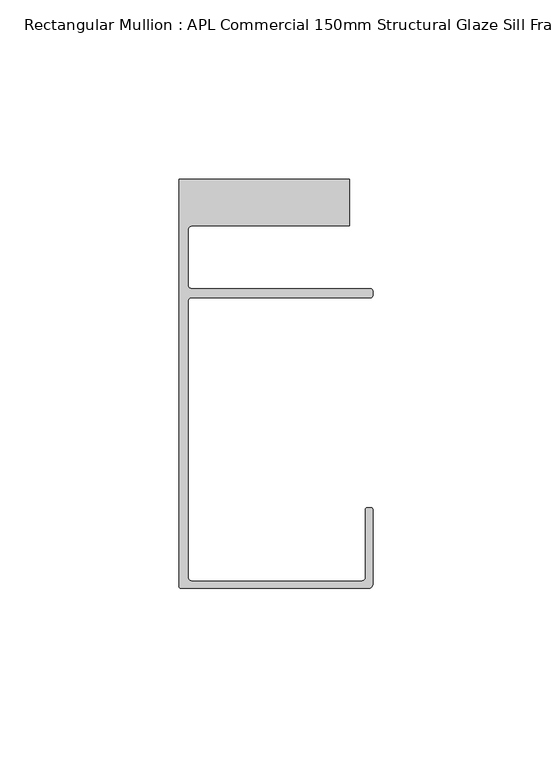
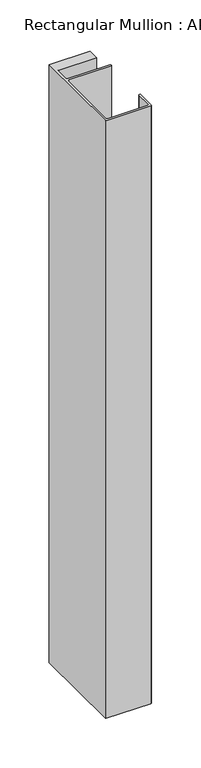
"""IFC4 building model written with IfcOpenShell, lengths in millimetres: member geometry, Rectangular Mullion : APL Commercial 150mm Structural Glaze Sill Frame (Back)."""

from ifc_helpers import new_model, si_unit, frame, origin, place, context, project, spatial, polyline, circle_curve, source, transform, mapped, element, save
from ifc_brep_helpers import plane_surface, cylinder_surface, revolved_surface, advanced_brep


def rectangular_mullion_apl_commercial_150mm_structural_glaze_fdc775cc(model_context):
    return source(origin(), model_context, "Body", "AdvancedBrep", [
        advanced_brep(
        [(-53.5000083, -129.0001071, 0.0), (-1.0000079, -129.0001071, 0.0), (-7.9e-06, -128.0001071, 0.0), (0.0, -107.0001071, 0.0), (-0.5, -106.5001071, 0.0), (-1.4999822, -106.5001071, 0.0), (-1.9999822, -107.0001071, 0.0), (-1.9999982, -126.0001071, 0.0), (-2.9999982, -127.0001071, 0.0), (-50.5000083, -127.00011, 0.0), (-51.5000083, -126.00011, 0.0), (-51.5000225, -48.9999541, 0.0), (-50.482081, -48.000115, 0.0), (-0.5000012, -48.000115, 0.0), (-5.4e-06, -47.5021598, 0.0), (-5.4e-06, -46.0213357, 0.0), (-0.521387, -45.4999541, 0.0), (-50.500032, -45.4999541, 0.0), (-51.500032, -44.4999541, 0.0), (-51.500032, -29.0004332, 0.0), (-50.500032, -28.0004332, 0.0), (-6.5000083, -28.0004332, 0.0), (-6.5000083, -15.0004332, 0.0), (-54.0000083, -15.0004332, 0.0), (-54.0000083, -128.5001071, 0.0), (-53.5000083, -129.0001071, -738.384151), (-54.0000083, -128.5001071, -738.384151), (-54.0000083, -15.0004332, -738.384151), (-6.5000083, -15.0004332, -738.384151), (-6.5000083, -28.0004332, -738.384151), (-50.500032, -28.0004332, -738.384151), (-51.500032, -29.0004332, -738.384151), (-51.500032, -44.4999541, -738.384151), (-50.500032, -45.4999541, -738.384151), (-0.521387, -45.4999541, -738.384151), (-5.4e-06, -46.0213357, -738.384151), (-5.4e-06, -47.5021598, -738.384151), (-0.5000012, -48.000115, -738.384151), (-50.482081, -48.000115, -738.384151), (-51.5000225, -48.9999541, -738.384151), (-51.5000225, -126.00011, -738.384151), (-50.5000083, -127.00011, -738.384151), (-2.9999982, -127.00011, -738.384151), (-1.9999982, -126.0001071, -738.384151), (-1.9999982, -107.0001071, -738.384151), (-1.4999822, -106.5001071, -738.384151), (-0.5, -106.5001071, -738.384151), (0.0, -107.0001071, -738.384151), (0.0, -128.0001071, -738.384151), (-1.0000079, -129.0001071, -738.384151)],
        [
            (0, 1),
            (1, 2, circle_curve(frame((-1.0000079, -128.0001071, 0.0), z_axis=(0.0, 0.0, 1.0), x_axis=(0.9999999999996143, -8.78371761103865e-07, 0.0)), 1.0)),
            (2, 3),
            (3, 4, circle_curve(frame((-0.5, -107.0001071, 0.0), z_axis=(0.0, 0.0, 1.0), x_axis=(0.0, 1.0, 0.0)), 0.5)),
            (4, 5),
            (5, 6, circle_curve(frame((-1.4999822, -107.0001071, 0.0), z_axis=(0.0, 0.0, 1.0), x_axis=(-1.0, 1.039279773351609e-08, 0.0)), 0.5)),
            (6, 7),
            (7, 8, circle_curve(frame((-2.9999982, -126.0001071, 0.0), z_axis=(0.0, 0.0, -1.0), x_axis=(0.0, -1.0, 0.0)), 1.0)),
            (8, 9),
            (9, 10, circle_curve(frame((-50.5000083, -126.00011, 0.0), z_axis=(0.0, 0.0, -1.0), x_axis=(-1.0, -3.636202450239078e-12, 0.0)), 1.0)),
            (10, 11),
            (11, 12, circle_curve(frame((-50.5000225, -48.9999541, 0.0), z_axis=(0.0, 0.0, -1.0), x_axis=(3.5344775231070867e-06, 0.9999999999937538, 0.0)), 1.0)),
            (12, 13),
            (13, 14, circle_curve(frame((-0.5000012, -47.500115, 0.0), z_axis=(0.0, 0.0, 1.0), x_axis=(0.9999999999999991, 4.5120271963110614e-08, 0.0)), 0.5)),
            (14, 15),
            (15, 16, circle_curve(frame((-0.521387, -46.0213357, 0.0), z_axis=(0.0, 0.0, 1.0), x_axis=(-1.0, 0.0, 0.0)), 0.5213816)),
            (16, 17),
            (17, 18, circle_curve(frame((-50.500032, -44.4999541, 0.0), z_axis=(0.0, 0.0, -1.0), x_axis=(-0.9999999999998819, -4.863123717036027e-07, 0.0)), 1.0)),
            (18, 19),
            (19, 20, circle_curve(frame((-50.500032, -29.0004332, 0.0), z_axis=(0.0, 0.0, -1.0), x_axis=(0.0, 1.0, 0.0)), 1.0)),
            (20, 21),
            (21, 22),
            (22, 23),
            (23, 24),
            (24, 0, circle_curve(frame((-53.5000083, -128.5001071, 0.0), z_axis=(0.0, 0.0, 1.0), x_axis=(0.0, -1.0, 0.0)), 0.5)),
            (25, 26, circle_curve(frame((-53.5000083, -128.5001071, -738.384151), z_axis=(0.0, 0.0, -1.0), x_axis=(0.0, -1.0, 0.0)), 0.5)),
            (26, 27),
            (27, 28),
            (28, 29),
            (29, 30),
            (30, 31, circle_curve(frame((-50.500032, -29.0004332, -738.384151), z_axis=(0.0, 0.0, 1.0), x_axis=(0.0, 1.0, 0.0)), 1.0)),
            (31, 32),
            (32, 33, circle_curve(frame((-50.500032, -44.4999541, -738.384151), z_axis=(0.0, 0.0, 1.0), x_axis=(-0.9999999999998819, -4.863123717036027e-07, 0.0)), 1.0)),
            (33, 34),
            (34, 35, circle_curve(frame((-0.521387, -46.0213357, -738.384151), z_axis=(0.0, 0.0, -1.0), x_axis=(-1.0, 0.0, 0.0)), 0.5213816)),
            (35, 36),
            (36, 37, circle_curve(frame((-0.5000012, -47.500115, -738.384151), z_axis=(0.0, 0.0, -1.0), x_axis=(0.9999999999999991, 4.5120271963110614e-08, 0.0)), 0.5)),
            (37, 38),
            (38, 39, circle_curve(frame((-50.5000225, -48.9999541, -738.384151), z_axis=(0.0, 0.0, 1.0), x_axis=(3.5344775231070867e-06, 0.9999999999937538, 0.0)), 1.0)),
            (39, 40),
            (40, 41, circle_curve(frame((-50.5000083, -126.00011, -738.384151), z_axis=(0.0, 0.0, 1.0), x_axis=(-1.0, -3.636202450239078e-12, 0.0)), 1.0)),
            (41, 42),
            (42, 43, circle_curve(frame((-2.9999982, -126.0001071, -738.384151), z_axis=(0.0, 0.0, 1.0), x_axis=(0.0, -1.0, 0.0)), 1.0)),
            (43, 44),
            (44, 45, circle_curve(frame((-1.4999822, -107.0001071, -738.384151), z_axis=(0.0, 0.0, -1.0), x_axis=(-1.0, 1.039279773351609e-08, 0.0)), 0.5)),
            (45, 46),
            (46, 47, circle_curve(frame((-0.5, -107.0001071, -738.384151), z_axis=(0.0, 0.0, -1.0), x_axis=(0.0, 1.0, 0.0)), 0.5)),
            (47, 48),
            (48, 49, circle_curve(frame((-1.0000079, -128.0001071, -738.384151), z_axis=(0.0, 0.0, -1.0), x_axis=(0.9999999999996143, -8.78371761103865e-07, 0.0)), 1.0)),
            (49, 25),
            (0, 25),
            (49, 1),
            (48, 2),
            (47, 3),
            (46, 4),
            (45, 5),
            (44, 6),
            (43, 7),
            (42, 8),
            (41, 9),
            (40, 10),
            (39, 11),
            (38, 12),
            (37, 13),
            (36, 14),
            (35, 15),
            (34, 16),
            (33, 17),
            (32, 18),
            (31, 19),
            (30, 20),
            (29, 21),
            (28, 22),
            (27, 23),
            (26, 24),
        ],
        [
            plane_surface(frame((0.0, -139.6548314, 0.0), z_axis=(0.0, 0.0, 1.0), x_axis=(-1.0, 0.0, 0.0))),
            plane_surface(frame((0.0, -139.6548314, -738.384151), z_axis=(0.0, 0.0, -1.0), x_axis=(-1.0, 0.0, 0.0))),
            plane_surface(frame((-53.5000083, -129.0001071, 0.0), z_axis=(0.0, -1.0, 0.0), x_axis=(0.0, 0.0, -1.0))),
            cylinder_surface(frame((-1.0000079, -128.0001071, 0.0), z_axis=(0.0, 0.0, 1.0000000000000002), x_axis=(0.9999999999996143, -8.78371761103865e-07, 0.0)), 1.0),
            plane_surface(frame((0.0, -128.0001071, 0.0), z_axis=(1.0, 0.0, 0.0), x_axis=(0.0, 0.0, -1.0))),
            cylinder_surface(frame((-0.5, -107.0001071, 0.0), z_axis=(0.0, 0.0, 1.0), x_axis=(0.0, 1.0, 0.0)), 0.5),
            plane_surface(frame((-0.5, -106.5001071, 0.0), z_axis=(0.0, 1.0, 0.0), x_axis=(0.0, 0.0, -1.0))),
            cylinder_surface(frame((-1.4999822, -107.0001071, 0.0), z_axis=(0.0, 0.0, 1.0), x_axis=(-1.0, 1.039279773351609e-08, 0.0)), 0.5),
            plane_surface(frame((-1.9999982, -107.0001071, 0.0), z_axis=(-1.0, 0.0, 0.0), x_axis=(0.0, 0.0, -1.0))),
            revolved_surface(polyline([(-2.9999982, -127.0001071, -738.384151), (-2.9999982, -127.0001071, 0.0)]), (-2.9999982, -126.0001071, 0.0), (0.0, 0.0, -1.0)),
            plane_surface(frame((-2.9999982, -127.00011, 0.0), z_axis=(0.0, 1.0, 0.0), x_axis=(0.0, 0.0, -1.0))),
            revolved_surface(polyline([(-51.5000083, -126.00011000000364, -738.384151), (-51.5000083, -126.00011000000364, 0.0)]), (-50.5000083, -126.00011, 0.0), (0.0, 0.0, -1.0)),
            plane_surface(frame((-51.5000225, -126.00011, 0.0), z_axis=(1.0, 0.0, 0.0), x_axis=(0.0, 0.0, -1.0))),
            revolved_surface(polyline([(-50.50001896552248, -47.99995410000624, -738.384151), (-50.50001896552248, -47.99995410000624, 0.0)]), (-50.5000225, -48.9999541, 0.0), (0.0, 0.0, -1.0)),
            plane_surface(frame((-50.482081, -48.000115, 0.0), z_axis=(0.0, -1.0, 0.0), x_axis=(0.0, 0.0, -1.0))),
            cylinder_surface(frame((-0.5000012, -47.500115, 0.0), z_axis=(0.0, 0.0, 1.0000000000000002), x_axis=(0.9999999999999991, 4.5120271963110614e-08, 0.0)), 0.5),
            plane_surface(frame((-5.4e-06, -47.5021598, 0.0), z_axis=(1.0, 0.0, 0.0), x_axis=(0.0, 0.0, -1.0))),
            cylinder_surface(frame((-0.521387, -46.0213357, 0.0), z_axis=(0.0, 0.0, 1.0), x_axis=(-1.0, 0.0, 0.0)), 0.5213816),
            plane_surface(frame((-0.521387, -45.4999541, 0.0), z_axis=(0.0, 1.0, 0.0), x_axis=(0.0, 0.0, -1.0))),
            revolved_surface(polyline([(-51.50003199999988, -44.49995458631237, -738.3841510000002), (-51.50003199999988, -44.49995458631237, 0.0)]), (-50.500032, -44.4999541, 0.0), (0.0, 0.0, -1.0000000000000002)),
            plane_surface(frame((-51.500032, -44.4999541, 0.0), z_axis=(1.0, 0.0, 0.0), x_axis=(0.0, 0.0, -1.0))),
            revolved_surface(polyline([(-50.500032, -28.0004332, -738.384151), (-50.500032, -28.0004332, 0.0)]), (-50.500032, -29.0004332, 0.0), (0.0, 0.0, -1.0)),
            plane_surface(frame((-50.500032, -28.0004332, 0.0), z_axis=(0.0, -1.0, 0.0), x_axis=(0.0, 0.0, -1.0))),
            plane_surface(frame((-6.5000083, -28.0004332, 0.0), z_axis=(1.0, 0.0, 0.0), x_axis=(0.0, 0.0, -1.0))),
            plane_surface(frame((-6.5000083, -15.0004332, 0.0), z_axis=(0.0, 1.0, 0.0), x_axis=(0.0, 0.0, -1.0))),
            plane_surface(frame((-54.0000083, -15.0004332, 0.0), z_axis=(-1.0, 0.0, 0.0), x_axis=(0.0, 0.0, -1.0))),
            cylinder_surface(frame((-53.5000083, -128.5001071, 0.0), z_axis=(0.0, 0.0, 1.0), x_axis=(0.0, -1.0, 0.0)), 0.5),
        ],
        [
            (0, [[1, 2, 3, 4, 5, 6, 7, 8, 9, 10, 11, 12, 13, 14, 15, 16, 17, 18, 19, 20, 21, 22, 23, 24, 25]]),
            (1, [[26, 27, 28, 29, 30, 31, 32, 33, 34, 35, 36, 37, 38, 39, 40, 41, 42, 43, 44, 45, 46, 47, 48, 49, 50]]),
            (2, [[-1, 51, -50, 52]]),
            (3, [[-2, -52, -49, 53]]),
            (4, [[-3, -53, -48, 54]]),
            (5, [[-4, -54, -47, 55]]),
            (6, [[-5, -55, -46, 56]]),
            (7, [[-6, -56, -45, 57]]),
            (8, [[-7, -57, -44, 58]]),
            (9, [[-8, -58, -43, 59]]),
            (10, [[-9, -59, -42, 60]]),
            (11, [[-10, -60, -41, 61]]),
            (12, [[-11, -61, -40, 62]]),
            (13, [[-12, -62, -39, 63]]),
            (14, [[-13, -63, -38, 64]]),
            (15, [[-14, -64, -37, 65]]),
            (16, [[-15, -65, -36, 66]]),
            (17, [[-16, -66, -35, 67]]),
            (18, [[-17, -67, -34, 68]]),
            (19, [[-18, -68, -33, 69]]),
            (20, [[-19, -69, -32, 70]]),
            (21, [[-20, -70, -31, 71]]),
            (22, [[-21, -71, -30, 72]]),
            (23, [[-22, -72, -29, 73]]),
            (24, [[-23, -73, -28, 74]]),
            (25, [[-24, -74, -27, 75]]),
            (26, [[-25, -75, -26, -51]]),
        ],
    ),
    ])


if __name__ == "__main__":
    model = new_model("IFC4")
    model_context = context("Model", 3, world=origin())
    ifc_project = project(units=[si_unit("LENGTHUNIT", "METRE", prefix="MILLI")], contexts=[model_context])
    site = spatial("IfcSite", under=ifc_project)
    building = spatial("IfcBuilding", under=site)
    placement = place(None, origin())
    rectangular_mullion_apl_commercial_150mm_structural_glaze_shape = rectangular_mullion_apl_commercial_150mm_structural_glaze_fdc775cc(model_context)
    element("IfcMember", 1, ObjectType="Rectangular Mullion : APL Commercial 150mm Structural Glaze Sill Frame (Back)", at=placement, inside=building, context=model_context, shape_type="MappedRepresentation", body=[
        mapped(rectangular_mullion_apl_commercial_150mm_structural_glaze_shape, transform((0.0, 0.0, 0.0), x_axis=(1.0, 0.0, 0.0), y_axis=(0.0, 1.0, 0.0), z_axis=(0.0, 0.0, 1.0))),
    ])
    save(model, "model.ifc")
